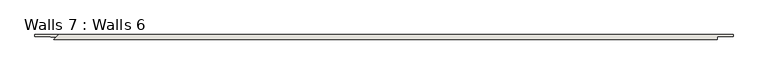
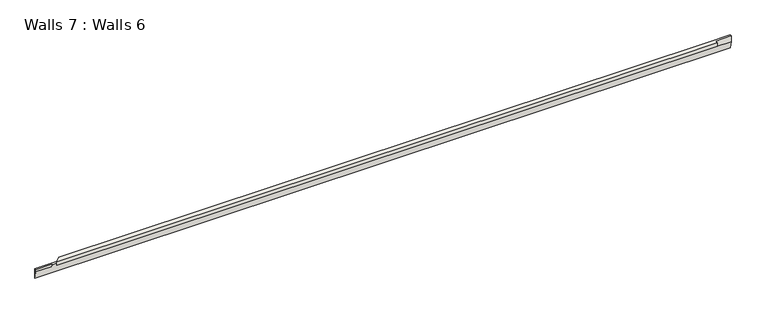
"""IFC4 building model written with IfcOpenShell, lengths in millimetres: wall geometry, Walls 7 : Walls 6."""

from ifc_helpers import new_model, si_unit, origin, place, context, project, spatial, faceted_brep, source, transform, mapped, element, save


def walls_7_walls_6_b2917053(model_context):
    return source(origin(), model_context, "Body", "Brep", [
        faceted_brep([(-5602.0457962, -9312.5557753, -6781.0611254), (-5602.0457962, -9312.5557753, -6654.614884), (-5602.0457962, -9329.2232563, -6654.614884), (-5602.0457962, -9329.2232563, -6708.8663337), (-11973.5469605, -9312.5557753, -6781.0611254), (-11973.5469605, -9329.2232563, -6708.8663337), (-11973.5469605, -9329.2232563, -6687.952384), (-11973.5469605, -9312.5557753, -6687.952384), (-11757.3215818, -9312.5557753, -6687.952384), (-11757.3215818, -9312.5557753, -6654.614884), (-5818.271175, -9312.5557753, -6654.614884), (-11799.9429187, -9355.1771123, -6654.614884), (-5748.0957962, -9355.1771123, -6654.614884), (-5748.0957962, -9350.9811541, -6654.614884), (-5748.0957962, -9329.2232563, -6654.614884), (-5748.0957962, -9355.1771123, -6687.952384), (-11799.9429187, -9355.1771123, -6687.952384), (-5748.0957962, -9334.051622, -6687.952384), (-11778.8174285, -9334.051622, -6687.952384), (-5748.0957962, -9329.2232563, -6708.8663337), (-11827.4969605, -9334.051622, -6687.952384), (-11827.4969605, -9329.2232563, -6708.8663337), (-11827.4969605, -9329.2232563, -6687.952384)], [[[0, 1, 2, 3]], [[4, 5, 6, 7]], [[1, 0, 4, 7, 8, 9, 10]], [[2, 1, 10, 9, 11, 12, 13, 14]], [[15, 12, 11, 16]], [[17, 15, 16, 18]], [[4, 0, 3, 19, 17, 18, 20, 21, 5]], [[5, 21, 22, 6]], [[21, 20, 22]], [[3, 2, 14, 19]], [[14, 13, 12, 15, 17, 19]], [[18, 8, 7, 6, 22, 20]], [[8, 18, 16, 11, 9]]]),
    ])


if __name__ == "__main__":
    model = new_model("IFC4")
    model_context = context("Model", 3, world=origin())
    ifc_project = project(units=[si_unit("LENGTHUNIT", "METRE", prefix="MILLI")], contexts=[model_context])
    site = spatial("IfcSite", under=ifc_project)
    building = spatial("IfcBuilding", under=site)
    placement = place(None, origin())
    walls_7_walls_6_shape = walls_7_walls_6_b2917053(model_context)
    element("IfcWall", 1, ObjectType="Walls 7 : Walls 6", at=placement, inside=building, context=model_context, shape_type="MappedRepresentation", body=[
        mapped(walls_7_walls_6_shape, transform((0.0, 0.0, 0.0), x_axis=(1.0, 0.0, 0.0), y_axis=(0.0, 1.0, 0.0), z_axis=(0.0, 0.0, 1.0))),
    ])
    save(model, "model.ifc")
